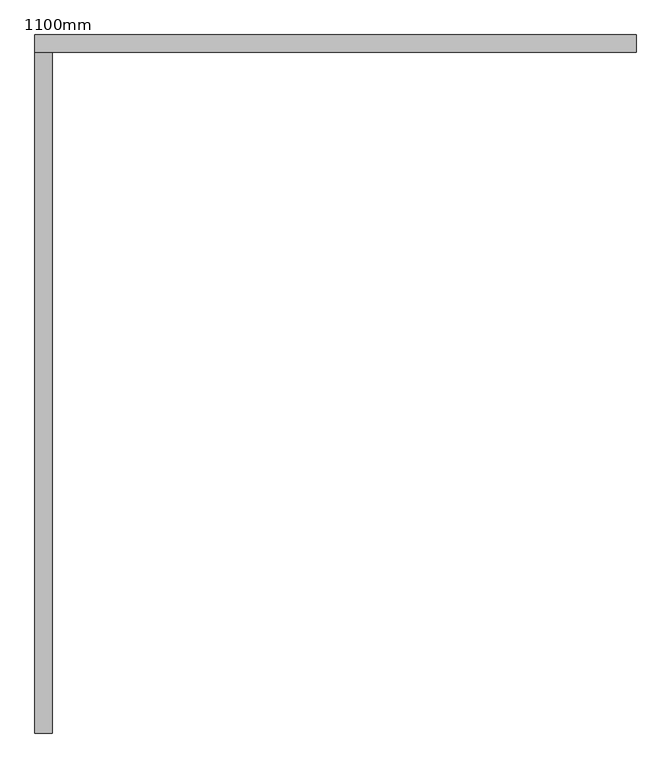
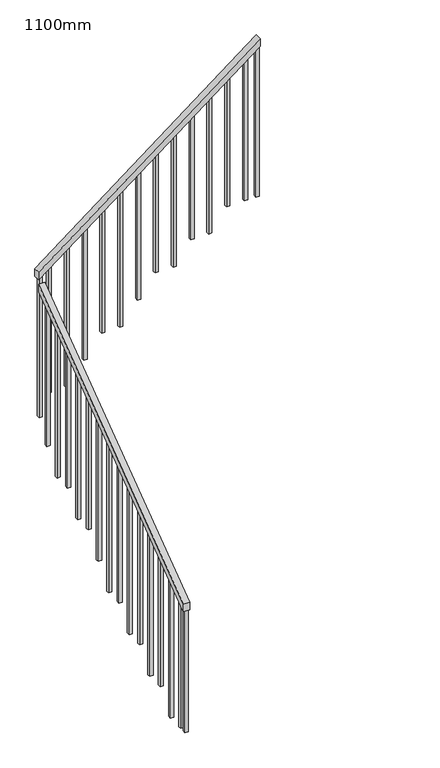
"""IFC4 building model written with IfcOpenShell, lengths in millimetres: railing geometry, 1100mm."""

import ifcopenshell
import ifcopenshell.guid

model = None  # the IFC model being written
_history = None  # IfcOwnerHistory: only IFC2X3 demands one
_inside = {}  # id of a spatial element -> (the spatial element, [elements in it])
_under = {}  # id of a project, library or spatial element -> (it, [spatial elements below it])
_declared = {}  # id of a project -> (the project, [libraries it declares])
_typed = {}  # id of a type object -> (the type object, [elements of that type])
_made_of = {}  # id of a material, layer set ... -> (it, [elements and type objects made of it])


def new_model(schema):
    """Start an empty IFC model of exactly this schema.

    Asked for "IFC4X3", IfcOpenShell would pick the latest addendum, in which some entities
    have other attributes; the version numbers below select the first issue.
    IFC2X3 requires an IfcOwnerHistory on every rooted entity: one is made here for all.
    """
    global model, _history
    if schema == "IFC4X3":
        model = ifcopenshell.file(schema_version=(4, 3, 0, 0))
    else:
        model = ifcopenshell.file(schema=schema)
    _inside.clear()
    _under.clear()
    _declared.clear()
    _typed.clear()
    _made_of.clear()
    _history = None
    if model.schema == "IFC2X3":
        org = make("IfcOrganization", Name="unknown")
        user = make(
            "IfcPersonAndOrganization",
            ThePerson=make("IfcPerson", FamilyName="unknown"),
            TheOrganization=org,
        )
        app = make(
            "IfcApplication",
            ApplicationDeveloper=org,
            Version="unknown",
            ApplicationFullName="unknown",
            ApplicationIdentifier="unknown",
        )
        _history = make(
            "IfcOwnerHistory",
            OwningUser=user,
            OwningApplication=app,
            ChangeAction="ADDED",
            CreationDate=0,
        )
    return model


def make(cls, **values):
    """One entity of the class cls with the attributes given. An attribute that is None is left unset."""
    return model.create_entity(
        cls, **{name: value for name, value in values.items() if value is not None}
    )


def rooted(cls, **values):
    """An entity with a GlobalId (a new one), such as an element, a storey or a relation."""
    return make(cls, GlobalId=ifcopenshell.guid.new(), OwnerHistory=_history, **values)


def si_unit(unit_type, name, prefix=None):
    """IfcSIUnit, for example si_unit("LENGTHUNIT", "METRE", prefix="MILLI")."""
    return make("IfcSIUnit", UnitType=unit_type, Prefix=prefix, Name=name)


def assignment(units):
    """IfcUnitAssignment: the units of a project."""
    return None if units is None else make("IfcUnitAssignment", Units=units)


def point(xyz):
    """IfcCartesianPoint."""
    return None if xyz is None else make("IfcCartesianPoint", Coordinates=xyz)


def direction(xyz):
    """IfcDirection."""
    return None if xyz is None else make("IfcDirection", DirectionRatios=xyz)


def frame(location, z_axis=None, x_axis=None):
    """IfcAxis2Placement3D, a coordinate frame: its origin and axes. An axis left out is left unset."""
    return make(
        "IfcAxis2Placement3D",
        Location=point(location),
        Axis=direction(z_axis),
        RefDirection=direction(x_axis),
    )


def origin():
    """The frame at (0, 0, 0) with its axes left unset."""
    return frame((0.0, 0.0, 0.0))


def place(relative_to, where):
    """IfcLocalPlacement: puts the frame where relative to a parent placement (None: the world)."""
    return make(
        "IfcLocalPlacement", PlacementRelTo=relative_to, RelativePlacement=where
    )


def context(
    kind, dimensions, precision=None, world=None, true_north=None, identifier=None
):
    """IfcGeometricRepresentationContext, for example the 3D "Model" context."""
    return make(
        "IfcGeometricRepresentationContext",
        ContextIdentifier=identifier,
        ContextType=kind,
        CoordinateSpaceDimension=dimensions,
        Precision=precision,
        WorldCoordinateSystem=world,
        TrueNorth=true_north,
    )


def project(units=None, contexts=None):
    """IfcProject with its units and contexts."""
    return rooted(
        "IfcProject",
        Name="project",
        RepresentationContexts=contexts,
        UnitsInContext=assignment(units),
    )


def spatial(cls, under=None, at=None, **own):
    """A site, building, storey or space (cls), placed at a placement, below another one or the project."""
    s = rooted(cls, ObjectPlacement=at, **own)
    if under is not None:
        _under.setdefault(under.id(), (under, []))[1].append(s)
    return s


def polyline(points):
    """IfcPolyline through the points."""
    return make("IfcPolyline", Points=[point(p) for p in points])


def outline(outer, holes=None, kind="AREA"):
    """IfcArbitraryClosedProfileDef: a profile drawn as a closed curve; with holes, ...WithVoids."""
    if holes is None:
        return make("IfcArbitraryClosedProfileDef", ProfileType=kind, OuterCurve=outer)
    return make(
        "IfcArbitraryProfileDefWithVoids",
        ProfileType=kind,
        OuterCurve=outer,
        InnerCurves=holes,
    )


def extrude(swept, where, along, depth):
    """IfcExtrudedAreaSolid: the profile swept, set in the frame where, extruded along a direction by depth."""
    return make(
        "IfcExtrudedAreaSolid",
        SweptArea=swept,
        Position=where,
        ExtrudedDirection=direction(along),
        Depth=depth,
    )


def shape(context_of_items, identifier, shape_type, items):
    """IfcShapeRepresentation: the items that make up one representation, for example the "Body"."""
    return make(
        "IfcShapeRepresentation",
        ContextOfItems=context_of_items,
        RepresentationIdentifier=identifier,
        RepresentationType=shape_type,
        Items=items,
    )


def source(mapping_origin, context_of_items, identifier, shape_type, items):
    """IfcRepresentationMap: a shape defined once, which mapped items show again and again."""
    return make(
        "IfcRepresentationMap",
        MappingOrigin=mapping_origin,
        MappedRepresentation=shape(context_of_items, identifier, shape_type, items),
    )


def transform(
    local_origin,
    x_axis=None,
    y_axis=None,
    z_axis=None,
    scale=None,
    scale2=None,
    scale3=None,
    uniform=True,
):
    """IfcCartesianTransformationOperator3D, or its non-uniform kind. x_axis, y_axis, z_axis: its Axis1, 2, 3."""
    if uniform:
        return make(
            "IfcCartesianTransformationOperator3D",
            Axis1=direction(x_axis),
            Axis2=direction(y_axis),
            LocalOrigin=point(local_origin),
            Scale=scale,
            Axis3=direction(z_axis),
        )
    return make(
        "IfcCartesianTransformationOperator3DnonUniform",
        Axis1=direction(x_axis),
        Axis2=direction(y_axis),
        LocalOrigin=point(local_origin),
        Scale=scale,
        Axis3=direction(z_axis),
        Scale2=scale2,
        Scale3=scale3,
    )


def mapped(mapping_source, mapping_target):
    """IfcMappedItem: shows the shape of a source again, moved by a transform."""
    return make(
        "IfcMappedItem", MappingSource=mapping_source, MappingTarget=mapping_target
    )


def made_of(thing, what):
    """Note that an element or type object is made of a material, layer set ...; save() writes the relation."""
    if what is not None:
        _made_of.setdefault(what.id(), (what, []))[1].append(thing)
    return thing


def element(
    cls,
    number,
    at=None,
    inside=None,
    cuts=None,
    type_object=None,
    material=None,
    context=None,
    identifier="Body",
    shape_type=None,
    held_by="IfcProductDefinitionShape",
    body=None,
    shapes=None,
    **own,
):
    """One element of the class cls, such as IfcWall. Its Tag is "e" and its number.

    at: its placement. inside: the storey or other place that contains it. cuts: it is an
    opening in that element (IfcRelVoidsElement). A single representation is given by context,
    identifier, shape_type and body (its items); several are given by shapes. held_by: the class
    of the entity that holds the representations. save() writes the other relations.
    """
    e = rooted(cls, Tag="e%d" % number, ObjectPlacement=at, **own)
    if body is not None:
        shapes = [shape(context, identifier, shape_type, body)]
    if shapes is not None:
        e.Representation = make(held_by, Representations=shapes)
    if inside is not None:
        _inside.setdefault(inside.id(), (inside, []))[1].append(e)
    if cuts is not None:
        rooted(
            "IfcRelVoidsElement", RelatingBuildingElement=cuts, RelatedOpeningElement=e
        )
    if type_object is not None:
        _typed.setdefault(type_object.id(), (type_object, []))[1].append(e)
    return made_of(e, material)


def aggregate(whole, parts):
    """IfcRelAggregates: a whole, such as a stair, and the parts it consists of."""
    return rooted("IfcRelAggregates", RelatingObject=whole, RelatedObjects=parts)


def save(model, path):
    """Write the relations noted so far, then the file.

    IfcRelAggregates (storeys below a building ...), IfcRelContainedInSpatialStructure (elements
    in a storey), IfcRelDefinesByType, IfcRelAssociatesMaterial and IfcRelDeclares: one each for
    every whole, place, type object, material and project.
    """
    for whole, parts in _under.values():
        aggregate(whole, parts)
    for where, things in _inside.values():
        rooted(
            "IfcRelContainedInSpatialStructure",
            RelatedElements=things,
            RelatingStructure=where,
        )
    for kind, things in _typed.values():
        rooted("IfcRelDefinesByType", RelatedObjects=things, RelatingType=kind)
    for what, things in _made_of.values():
        rooted("IfcRelAssociatesMaterial", RelatedObjects=things, RelatingMaterial=what)
    for by, libraries in _declared.values():
        rooted("IfcRelDeclares", RelatingContext=by, RelatedDefinitions=libraries)
    model.write(path)


def railing_1100mm_d37faba6(model_context):
    return source(origin(), model_context, "Body", "SweptSolid", [
        extrude(outline(polyline([(1073.4018878, 1182.5048773), (1073.4018878, 1244.8056786), (3041.5269455, 2707.7938524), (3041.5269455, 2645.4930511), (1073.4018878, 1182.5048773)])), frame((-4407.9565664, 0.0, 0.0), z_axis=(1.0, 0.0, 0.0), x_axis=(0.0, 1.0, 0.0)), (0.0, 0.0, 1.0), 50.0),
        extrude(outline(polyline([(2806.2315523, -4407.9565664), (2743.2404997, -4407.9565664), (4075.09019, -2669.8315087), (4138.0812426, -2669.8315087), (2806.2315523, -4407.9565664)])), frame((0.0, 3041.5269455, 0.0), z_axis=(0.0, 1.0, 0.0), x_axis=(0.0, 0.0, 1.0)), (0.0, 0.0, 1.0), 50.0),
        extrude(outline(polyline([(3986.4917335, -2785.4565664), (2823.5294118, -2785.4565664), (2823.5294118, -2760.4565664), (4005.648147, -2760.4565664), (3986.4917335, -2785.4565664)])), frame((0.0, 3054.0269455, 0.0), z_axis=(0.0, 1.0, 0.0), x_axis=(0.0, 0.0, 1.0)), (0.0, 0.0, 1.0), 25.0),
        extrude(outline(polyline([(3879.2158181, -2925.4565664), (2823.5294118, -2925.4565664), (2823.5294118, -2900.4565664), (3898.3722316, -2900.4565664), (3879.2158181, -2925.4565664)])), frame((0.0, 3054.0269455, 0.0), z_axis=(0.0, 1.0, 0.0), x_axis=(0.0, 0.0, 1.0)), (0.0, 0.0, 1.0), 25.0),
        extrude(outline(polyline([(3771.9399027, -3065.4565664), (2647.0588235, -3065.4565664), (2647.0588235, -3040.4565664), (3791.0963162, -3040.4565664), (3771.9399027, -3065.4565664)])), frame((0.0, 3054.0269455, 0.0), z_axis=(0.0, 1.0, 0.0), x_axis=(0.0, 0.0, 1.0)), (0.0, 0.0, 1.0), 25.0),
        extrude(outline(polyline([(3664.6639873, -3205.4565664), (2647.0588235, -3205.4565664), (2647.0588235, -3180.4565664), (3683.8204008, -3180.4565664), (3664.6639873, -3205.4565664)])), frame((0.0, 3054.0269455, 0.0), z_axis=(0.0, 1.0, 0.0), x_axis=(0.0, 0.0, 1.0)), (0.0, 0.0, 1.0), 25.0),
        extrude(outline(polyline([(3557.3880719, -3345.4565664), (2470.5882353, -3345.4565664), (2470.5882353, -3320.4565664), (3576.5444854, -3320.4565664), (3557.3880719, -3345.4565664)])), frame((0.0, 3054.0269455, 0.0), z_axis=(0.0, 1.0, 0.0), x_axis=(0.0, 0.0, 1.0)), (0.0, 0.0, 1.0), 25.0),
        extrude(outline(polyline([(3450.1121565, -3485.4565664), (2470.5882353, -3485.4565664), (2470.5882353, -3460.4565664), (3469.26857, -3460.4565664), (3450.1121565, -3485.4565664)])), frame((0.0, 3054.0269455, 0.0), z_axis=(0.0, 1.0, 0.0), x_axis=(0.0, 0.0, 1.0)), (0.0, 0.0, 1.0), 25.0),
        extrude(outline(polyline([(3342.8362411, -3625.4565664), (2294.1176471, -3625.4565664), (2294.1176471, -3600.4565664), (3361.9926546, -3600.4565664), (3342.8362411, -3625.4565664)])), frame((0.0, 3054.0269455, 0.0), z_axis=(0.0, 1.0, 0.0), x_axis=(0.0, 0.0, 1.0)), (0.0, 0.0, 1.0), 25.0),
        extrude(outline(polyline([(3235.5603257, -3765.4565664), (2117.6470588, -3765.4565664), (2117.6470588, -3740.4565664), (3254.7167392, -3740.4565664), (3235.5603257, -3765.4565664)])), frame((0.0, 3054.0269455, 0.0), z_axis=(0.0, 1.0, 0.0), x_axis=(0.0, 0.0, 1.0)), (0.0, 0.0, 1.0), 25.0),
        extrude(outline(polyline([(3128.2844103, -3905.4565664), (2117.6470588, -3905.4565664), (2117.6470588, -3880.4565664), (3147.4408238, -3880.4565664), (3128.2844103, -3905.4565664)])), frame((0.0, 3054.0269455, 0.0), z_axis=(0.0, 1.0, 0.0), x_axis=(0.0, 0.0, 1.0)), (0.0, 0.0, 1.0), 25.0),
        extrude(outline(polyline([(3021.0084949, -4045.4565664), (1941.1764706, -4045.4565664), (1941.1764706, -4020.4565664), (3040.1649084, -4020.4565664), (3021.0084949, -4045.4565664)])), frame((0.0, 3054.0269455, 0.0), z_axis=(0.0, 1.0, 0.0), x_axis=(0.0, 0.0, 1.0)), (0.0, 0.0, 1.0), 25.0),
        extrude(outline(polyline([(2913.7325795, -4185.4565664), (1764.7058824, -4185.4565664), (1764.7058824, -4160.4565664), (2932.888993, -4160.4565664), (2913.7325795, -4185.4565664)])), frame((0.0, 3054.0269455, 0.0), z_axis=(0.0, 1.0, 0.0), x_axis=(0.0, 0.0, 1.0)), (0.0, 0.0, 1.0), 25.0),
        extrude(outline(polyline([(2806.4566641, -4325.4565664), (1764.7058824, -4325.4565664), (1764.7058824, -4300.4565664), (2825.6130776, -4300.4565664), (2806.4566641, -4325.4565664)])), frame((0.0, 3054.0269455, 0.0), z_axis=(0.0, 1.0, 0.0), x_axis=(0.0, 0.0, 1.0)), (0.0, 0.0, 1.0), 25.0),
        extrude(outline(polyline([(2950.9018878, 1411.7647059), (2950.9018878, 2578.1277244), (2975.9018878, 2596.711251), (2975.9018878, 1411.7647059), (2950.9018878, 1411.7647059)])), frame((-4395.4565664, 0.0, 0.0), z_axis=(1.0, 0.0, 0.0), x_axis=(0.0, 1.0, 0.0)), (0.0, 0.0, 1.0), 25.0),
        extrude(outline(polyline([(2810.9018878, 1235.2941176), (2810.9018878, 2474.0599755), (2835.9018878, 2492.6435021), (2835.9018878, 1235.2941176), (2810.9018878, 1235.2941176)])), frame((-4395.4565664, 0.0, 0.0), z_axis=(1.0, 0.0, 0.0), x_axis=(0.0, 1.0, 0.0)), (0.0, 0.0, 1.0), 25.0),
        extrude(outline(polyline([(2670.9018878, 1235.2941176), (2670.9018878, 2369.9922266), (2695.9018878, 2388.5757531), (2695.9018878, 1235.2941176), (2670.9018878, 1235.2941176)])), frame((-4395.4565664, 0.0, 0.0), z_axis=(1.0, 0.0, 0.0), x_axis=(0.0, 1.0, 0.0)), (0.0, 0.0, 1.0), 25.0),
        extrude(outline(polyline([(2530.9018878, 1058.8235294), (2530.9018878, 2265.9244776), (2555.9018878, 2284.5080042), (2555.9018878, 1058.8235294), (2530.9018878, 1058.8235294)])), frame((-4395.4565664, 0.0, 0.0), z_axis=(1.0, 0.0, 0.0), x_axis=(0.0, 1.0, 0.0)), (0.0, 0.0, 1.0), 25.0),
        extrude(outline(polyline([(2390.9018878, 1058.8235294), (2390.9018878, 2161.8567287), (2415.9018878, 2180.4402553), (2415.9018878, 1058.8235294), (2390.9018878, 1058.8235294)])), frame((-4395.4565664, 0.0, 0.0), z_axis=(1.0, 0.0, 0.0), x_axis=(0.0, 1.0, 0.0)), (0.0, 0.0, 1.0), 25.0),
        extrude(outline(polyline([(2250.9018878, 882.3529412), (2250.9018878, 2057.7889798), (2275.9018878, 2076.3725064), (2275.9018878, 882.3529412), (2250.9018878, 882.3529412)])), frame((-4395.4565664, 0.0, 0.0), z_axis=(1.0, 0.0, 0.0), x_axis=(0.0, 1.0, 0.0)), (0.0, 0.0, 1.0), 25.0),
        extrude(outline(polyline([(2110.9018878, 705.8823529), (2110.9018878, 1953.7212309), (2135.9018878, 1972.3047575), (2135.9018878, 705.8823529), (2110.9018878, 705.8823529)])), frame((-4395.4565664, 0.0, 0.0), z_axis=(1.0, 0.0, 0.0), x_axis=(0.0, 1.0, 0.0)), (0.0, 0.0, 1.0), 25.0),
        extrude(outline(polyline([(1970.9018878, 705.8823529), (1970.9018878, 1849.653482), (1995.9018878, 1868.2370086), (1995.9018878, 705.8823529), (1970.9018878, 705.8823529)])), frame((-4395.4565664, 0.0, 0.0), z_axis=(1.0, 0.0, 0.0), x_axis=(0.0, 1.0, 0.0)), (0.0, 0.0, 1.0), 25.0),
        extrude(outline(polyline([(1830.9018878, 529.4117647), (1830.9018878, 1745.5857331), (1855.9018878, 1764.1692597), (1855.9018878, 529.4117647), (1830.9018878, 529.4117647)])), frame((-4395.4565664, 0.0, 0.0), z_axis=(1.0, 0.0, 0.0), x_axis=(0.0, 1.0, 0.0)), (0.0, 0.0, 1.0), 25.0),
        extrude(outline(polyline([(1690.9018878, 529.4117647), (1690.9018878, 1641.5179842), (1715.9018878, 1660.1015108), (1715.9018878, 529.4117647), (1690.9018878, 529.4117647)])), frame((-4395.4565664, 0.0, 0.0), z_axis=(1.0, 0.0, 0.0), x_axis=(0.0, 1.0, 0.0)), (0.0, 0.0, 1.0), 25.0),
        extrude(outline(polyline([(1550.9018878, 352.9411765), (1550.9018878, 1537.4502352), (1575.9018878, 1556.0337618), (1575.9018878, 352.9411765), (1550.9018878, 352.9411765)])), frame((-4395.4565664, 0.0, 0.0), z_axis=(1.0, 0.0, 0.0), x_axis=(0.0, 1.0, 0.0)), (0.0, 0.0, 1.0), 25.0),
        extrude(outline(polyline([(1410.9018878, 352.9411765), (1410.9018878, 1433.3824863), (1435.9018878, 1451.9660129), (1435.9018878, 352.9411765), (1410.9018878, 352.9411765)])), frame((-4395.4565664, 0.0, 0.0), z_axis=(1.0, 0.0, 0.0), x_axis=(0.0, 1.0, 0.0)), (0.0, 0.0, 1.0), 25.0),
        extrude(outline(polyline([(1270.9018878, 176.4705882), (1270.9018878, 1329.3147374), (1295.9018878, 1347.898264), (1295.9018878, 176.4705882), (1270.9018878, 176.4705882)])), frame((-4395.4565664, 0.0, 0.0), z_axis=(1.0, 0.0, 0.0), x_axis=(0.0, 1.0, 0.0)), (0.0, 0.0, 1.0), 25.0),
        extrude(outline(polyline([(1130.9018878, 176.4705882), (1130.9018878, 1225.2469885), (1155.9018878, 1243.8305151), (1155.9018878, 176.4705882), (1130.9018878, 176.4705882)])), frame((-4395.4565664, 0.0, 0.0), z_axis=(1.0, 0.0, 0.0), x_axis=(0.0, 1.0, 0.0)), (0.0, 0.0, 1.0), 25.0),
        extrude(outline(polyline([(2752.8187064, -4395.4565664), (1588.2352941, -4395.4565664), (1588.2352941, -4370.4565664), (2771.9751199, -4370.4565664), (2752.8187064, -4395.4565664)])), frame((0.0, 3054.0269455, 0.0), z_axis=(0.0, 1.0, 0.0), x_axis=(0.0, 0.0, 1.0)), (0.0, 0.0, 1.0), 25.0),
        extrude(outline(polyline([(4055.9337765, -2694.8315087), (2823.5294118, -2694.8315087), (2823.5294118, -2669.8315087), (4075.09019, -2669.8315087), (4055.9337765, -2694.8315087)])), frame((0.0, 3054.0269455, 0.0), z_axis=(0.0, 1.0, 0.0), x_axis=(0.0, 0.0, 1.0)), (0.0, 0.0, 1.0), 25.0),
        extrude(outline(polyline([(1073.4018878, 176.4705882), (1073.4018878, 1182.5048773), (1098.4018878, 1201.0884039), (1098.4018878, 176.4705882), (1073.4018878, 176.4705882)])), frame((-4395.4565664, 0.0, 0.0), z_axis=(1.0, 0.0, 0.0), x_axis=(0.0, 1.0, 0.0)), (0.0, 0.0, 1.0), 25.0),
    ])


if __name__ == "__main__":
    model = new_model("IFC4")
    model_context = context("Model", 3, world=origin())
    ifc_project = project(units=[si_unit("LENGTHUNIT", "METRE", prefix="MILLI")], contexts=[model_context])
    site = spatial("IfcSite", under=ifc_project)
    building = spatial("IfcBuilding", under=site)
    placement = place(None, origin())
    railing_1100mm_shape = railing_1100mm_d37faba6(model_context)
    element("IfcRailing", 1, ObjectType="1100mm", at=placement, inside=building, context=model_context, shape_type="MappedRepresentation", body=[
        mapped(railing_1100mm_shape, transform((0.0, 0.0, 0.0), x_axis=(1.0, 0.0, 0.0), y_axis=(0.0, 1.0, 0.0), z_axis=(0.0, 0.0, 1.0))),
    ])
    save(model, "model.ifc")
